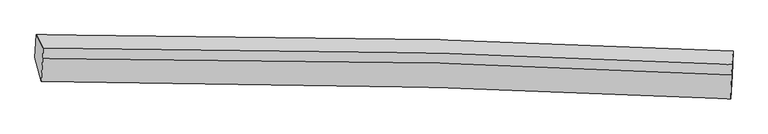
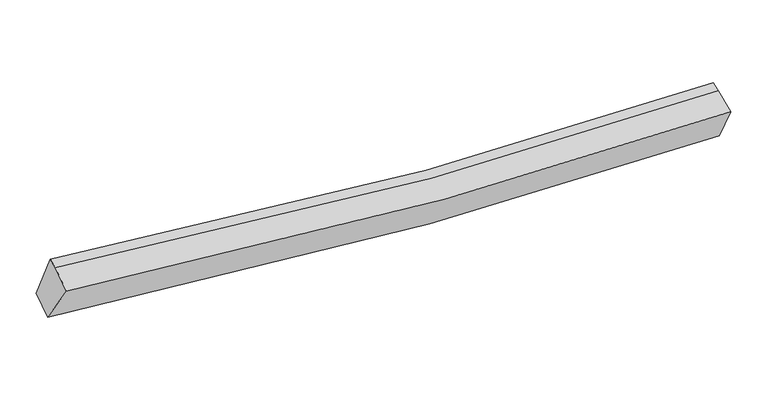
"""IFC4 building model written with IfcOpenShell, lengths in millimetres: proxy geometry."""

from ifc_helpers import new_model, si_unit, frame, origin, place, context, project, spatial, source, transform, mapped, element, save
from ifc_brep_helpers import plane_surface, spline_curve, spline_surface, advanced_brep


def generic_models_8a150e94(model_context):
    return source(origin(), model_context, "Body", "AdvancedBrep", [
        advanced_brep(
        [(-5111.3913121, -1963.2266692, 2960.7463807), (-5087.5147451, -1616.4081543, 3140.7624431), (5421.5717409, -1866.4794537, 2612.1918383), (5408.3517336, -2230.8006588, 2488.7943907), (-5017.1581804, -2322.4162888, 3577.5955795), (5386.2562797, -2588.0910694, 3113.4986034), (-4993.432838, -1973.2679621, 3756.7167209), (5399.5814902, -2221.444239, 3235.9838149), (-4987.8102846, -1820.2042214, 3802.9755384), (5405.2040436, -2068.3804984, 3282.2426324)],
        [
            (0, 1),
            (1, 2, spline_curve(3, [(-5087.5147451, -1616.4081543, 3140.7624431), (-3087.305287807, -1610.489445873, 2855.783615911), (-1084.355688689, -1635.26591492, 2676.196148789), (2419.883646913, -1732.183161928, 2546.564476836), (3919.962876388, -1790.76379261, 2549.961742243), (5421.5717409, -1866.4794537, 2612.1918383)], [4, 2, 4], [0.0, 19.797876304587568, 34.58984482328528])),
            (2, 3),
            (3, 0, spline_curve(3, [(5408.3517336, -2230.8006588, 2488.7943907), (3907.286596212, -2156.088651017, 2429.819150459), (2406.868968588, -2097.015536635, 2424.833458666), (-1100.224466197, -1995.448057408, 2539.425086755), (-3106.387853174, -1965.329841815, 2701.728109452), (-5111.3913121, -1963.2266692, 2960.7463807)], [4, 2, 4], [0.0, 14.791968518697715, 34.58984482328528])),
            (4, 0),
            (3, 5),
            (5, 4, spline_curve(3, [(5386.2562797, -2588.0910694, 3113.4986034), (3898.893430971, -2513.99037343, 3054.880653517), (2413.40966076, -2455.382922747, 3049.620631183), (-1055.882205913, -2354.563774584, 3162.093767501), (-3038.203255056, -2324.612965467, 3322.052781668), (-5017.1581804, -2322.4162888, 3577.5955795)], [4, 2, 4], [0.0, 14.71352216778224, 34.406404255406215])),
            (6, 4),
            (5, 7),
            (7, 6, spline_curve(3, [(5399.5814902, -2221.444239, 3235.9838149), (3911.526839102, -2145.492859662, 3171.326306799), (2426.28108321, -2086.892830735, 3166.061912372), (-1040.279901568, -1990.436068781, 3292.637627616), (-3019.372255334, -1966.310672431, 3471.479657415), (-4993.432838, -1973.2679621, 3756.7167209)], [4, 2, 4], [0.0, 14.62880788468636, 34.208306625405285])),
            (8, 6),
            (7, 9),
            (9, 8, spline_curve(3, [(5405.2040436, -2068.3804984, 3282.2426324), (3917.14939237, -1992.429119073, 3217.585124487), (2431.903636711, -1933.829090149, 3212.320729998), (-1034.657348303, -1837.372328163, 3338.896444947), (-3013.749701787, -1813.246931645, 3517.738474454), (-4987.8102846, -1820.2042214, 3802.9755384)], [4, 2, 4], [0.0, 14.625288960153181, 34.20007789956709])),
            (1, 8),
            (9, 2),
        ],
        [
            spline_surface(3, 3, [[(-5111.3913121, -1963.2266692, 2960.7463807), (-3106.38785337, -1965.329841906, 2701.72810924), (-1100.224466061, -1995.44805748, 2539.425087028), (2406.868968486, -2097.015536581, 2424.833458463), (3907.286596409, -2156.088650846, 2429.81915068), (5408.3517336, -2230.8006588, 2488.7943907)], [(-5103.432456452, -1847.620497584, 3020.751734828), (-3100.026998219, -1847.049709875, 2753.079944709), (-1094.934873611, -1875.387343354, 2585.015440928), (2411.207194654, -1975.404745039, 2465.410464583), (3911.512023098, -2034.313698037, 2469.866681171), (5412.758402707, -2109.360257097, 2529.926873235)], [(-5095.473600748, -1732.014325916, 3080.757088972), (-3093.666143012, -1728.769577794, 2804.431780194), (-1089.645281195, -1755.326629135, 2630.605794862), (2415.545420787, -1853.793953404, 2505.987470736), (3915.737449765, -1912.538745237, 2509.914211657), (5417.165071793, -1987.919855403, 2571.059355765)], [(-5087.5147451, -1616.4081543, 3140.7624431), (-3087.305287861, -1610.489445764, 2855.783615663), (-1084.355688745, -1635.265915009, 2676.196148762), (2419.883646955, -1732.183161862, 2546.564476856), (3919.962876454, -1790.763792428, 2549.961742148), (5421.5717409, -1866.4794537, 2612.1918383)]], [4, 4], [4, 2, 4], [0.0, 1.2640251910053437], [0.0, 19.797876304587568, 34.58984482328528]),
            spline_surface(3, 3, [[(-5017.1581804, -2322.4162888, 3577.5955795), (-3038.203255376, -2324.61296515, 3322.052781414), (-1055.882205638, -2354.563774707, 3162.093767208), (2413.409660555, -2455.382922655, 3049.620631402), (3898.893430835, -2513.990373237, 3054.880653576), (5386.2562797, -2588.0910694, 3113.4986034)], [(-5048.569224292, -2202.686415603, 3371.979179897), (-3060.931454699, -2204.851924071, 3115.277890686), (-1070.662959107, -2234.858535609, 2954.537540498), (2411.229429871, -2335.927127275, 2841.358240439), (3901.691152694, -2394.689799094, 2846.526819273), (5393.621431001, -2468.994265853, 2905.263865829)], [(-5079.980268208, -2082.956542397, 3166.362780303), (-3083.659654046, -2085.090882984, 2908.502999968), (-1085.443712592, -2115.153296578, 2746.981313738), (2409.04919917, -2216.471331961, 2633.095849426), (3904.488874551, -2275.38922499, 2638.172984983), (5400.986582299, -2349.897462347, 2697.029128271)], [(-5111.3913121, -1963.2266692, 2960.7463807), (-3106.38785337, -1965.329841906, 2701.72810924), (-1100.224466061, -1995.44805748, 2539.425087028), (2406.868968486, -2097.015536581, 2424.833458463), (3907.286596409, -2156.088650846, 2429.81915068), (5408.3517336, -2230.8006588, 2488.7943907)]], [4, 4], [4, 2, 4], [0.0, 2.3620062003471034], [0.0, 19.692882087623975, 34.406404255406215]),
            spline_surface(3, 3, [[(-4993.432838, -1973.2679621, 3756.7167209), (-3019.372255186, -1966.310672221, 3471.47965722), (-1040.27990153, -1990.436068932, 3292.63762741), (2426.281083181, -2086.892830623, 3166.061912526), (3911.526838916, -2145.492859524, 3171.326307002), (5399.5814902, -2221.444239, 3235.9838149)], [(-5001.341285474, -2089.650737663, 3697.009673771), (-3025.649255257, -2085.744769861, 3421.670698622), (-1045.480669581, -2111.811970863, 3249.123007329), (2421.990608958, -2209.722861307, 3127.248152136), (3907.315702884, -2268.325364111, 3132.511089197), (5395.139753362, -2343.659849149, 3195.15541107)], [(-5009.249732926, -2206.033513237, 3637.302626629), (-3031.926255305, -2205.17886751, 3371.861740012), (-1050.681437587, -2233.187872776, 3205.60838729), (2417.700134779, -2332.552891971, 3088.434391791), (3903.104566867, -2391.15786865, 3093.695871382), (5390.698016538, -2465.875459251, 3154.32700723)], [(-5017.1581804, -2322.4162888, 3577.5955795), (-3038.203255376, -2324.61296515, 3322.052781414), (-1055.882205638, -2354.563774707, 3162.093767208), (2413.409660555, -2455.382922655, 3049.620631402), (3898.893430835, -2513.990373237, 3054.880653576), (5386.2562797, -2588.0910694, 3113.4986034)]], [4, 4], [4, 2, 4], [0.0, 1.269430299837868], [0.0, 19.579498740718925, 34.208306625405285]),
            spline_surface(3, 3, [[(-4987.8102846, -1820.2042214, 3802.9755384), (-3013.749701786, -1813.246931521, 3517.73847472), (-1034.65734813, -1837.372328332, 3338.89644491), (2431.903636581, -1933.829090023, 3212.320730026), (3917.149392316, -1992.429118924, 3217.585124502), (5405.2040436, -2068.3804984, 3282.2426324)], [(-4989.684469057, -1871.22546828, 3787.555932573), (-3015.623886243, -1864.268178401, 3502.318868893), (-1036.531532587, -1888.393575212, 3323.476839083), (2430.029452125, -1984.850336903, 3196.901124198), (3915.275207859, -2043.450365804, 3202.165518675), (5403.329859143, -2119.40174528, 3266.823026573)], [(-4991.558653543, -1922.24671522, 3772.136326727), (-3017.498070729, -1915.289425341, 3486.899263047), (-1038.405717073, -1939.414822052, 3308.057233238), (2428.155267638, -2035.871583743, 3181.481518353), (3913.401023373, -2094.471612644, 3186.745912829), (5401.455674657, -2170.42299212, 3251.403420727)], [(-4993.432838, -1973.2679621, 3756.7167209), (-3019.372255186, -1966.310672221, 3471.47965722), (-1040.27990153, -1990.436068932, 3292.63762741), (2426.281083181, -2086.892830623, 3166.061912526), (3911.526838916, -2145.492859524, 3171.326307002), (5399.5814902, -2221.444239, 3235.9838149)]], [4, 4], [4, 2, 4], [0.0, 0.5249343832020997], [0.0, 19.57478893941391, 34.20007789956709]),
            spline_surface(3, 3, [[(-5087.5147451, -1616.4081543, 3140.7624431), (-3087.305287861, -1610.489445764, 2855.783615663), (-1084.355688745, -1635.265915009, 2676.196148762), (2419.883646955, -1732.183161862, 2546.564476856), (3919.962876454, -1790.763792428, 2549.961742148), (5421.5717409, -1866.4794537, 2612.1918383)], [(-5054.279924925, -1684.34017667, 3361.500141532), (-3062.786759161, -1678.075274353, 3076.435235347), (-1067.789575219, -1702.634719421, 2897.096247481), (2423.890310152, -1799.39847122, 2768.483227916), (3919.025048394, -1857.985567913, 2772.502869593), (5416.115841787, -1933.77980192, 2835.542102994)], [(-5021.045104775, -1752.27219903, 3582.237839968), (-3038.268230486, -1745.661102932, 3297.086855036), (-1051.223461657, -1770.00352392, 3117.996346191), (2427.896973385, -1866.613780665, 2990.401978966), (3918.087220375, -1925.207343439, 2995.043997057), (5410.659942713, -2001.08015018, 3058.892367706)], [(-4987.8102846, -1820.2042214, 3802.9755384), (-3013.749701786, -1813.246931521, 3517.73847472), (-1034.65734813, -1837.372328332, 3338.89644491), (2431.903636581, -1933.829090023, 3212.320730026), (3917.149392316, -1992.429118924, 3217.585124502), (5405.2040436, -2068.3804984, 3282.2426324)]], [4, 4], [4, 2, 4], [0.0, 2.2796306927303966], [0.0, 19.683560696586806, 34.390118394006116]),
            plane_surface(frame((5404.1930576, -2195.0391839, 2946.5422559), z_axis=(0.9991087904942636, -0.040397738165205234, 0.012233049833360947), x_axis=(-0.034450350255378175, -0.9479108578344134, -0.31666730012255495))),
            plane_surface(frame((-5039.461472, -1939.1046591, 3447.7593325), z_axis=(-0.9891801655262451, -0.007936446166048182, 0.14649099955875772), x_axis=(-0.060990044751082315, -0.8859094688955805, -0.4598310856851802))),
        ],
        [
            (0, [[1, 2, 3, 4]]),
            (1, [[5, -4, 6, 7]]),
            (2, [[8, -7, 9, 10]]),
            (3, [[11, -10, 12, 13]]),
            (4, [[14, -13, 15, -2]]),
            (5, [[-9, -6, -3, -15, -12]]),
            (6, [[-1, -5, -8, -11, -14]]),
        ],
    ),
    ])


if __name__ == "__main__":
    model = new_model("IFC4")
    model_context = context("Model", 3, world=origin())
    ifc_project = project(units=[si_unit("LENGTHUNIT", "METRE", prefix="MILLI")], contexts=[model_context])
    site = spatial("IfcSite", under=ifc_project)
    building = spatial("IfcBuilding", under=site)
    placement = place(None, origin())
    generic_models_shape = generic_models_8a150e94(model_context)
    element("IfcBuildingElementProxy", 1, Name="Generic Models", at=placement, inside=building, context=model_context, shape_type="MappedRepresentation", body=[
        mapped(generic_models_shape, transform((0.0, 0.0, 0.0), x_axis=(1.0, 0.0, 0.0), y_axis=(0.0, 1.0, 0.0), z_axis=(0.0, 0.0, 1.0))),
    ])
    save(model, "model.ifc")
